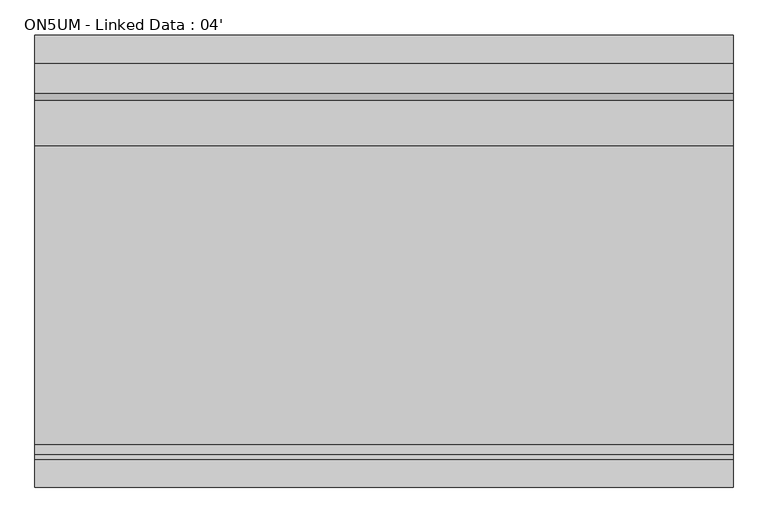
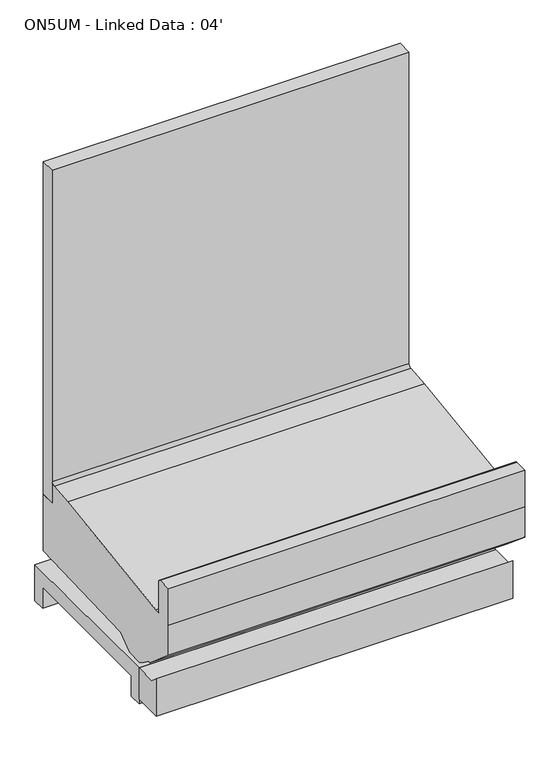
"""IFC4 building model written with IfcOpenShell, lengths in millimetres: proxy geometry, ON5UM - Linked Data : 04'."""

from ifc_helpers import new_model, si_unit, frame, origin, place, context, project, spatial, polyline, circle_curve, outline, extrude, source, transform, mapped, element, save
from ifc_brep_helpers import plane_surface, cylinder_surface, revolved_surface, advanced_brep


def on5um_linked_data_04_f2a2bc98(model_context):
    return source(origin(), model_context, "Body", "SolidModel", [
        advanced_brep(
        [(0.0, -1018.0355073, 16.9113003), (0.0, -1120.2374519, 16.9113003), (0.0, -1120.2374519, 153.0862041), (0.0, -1092.9329421, 130.175), (0.0, -1018.0355073, 130.175), (1219.2, -1018.0355073, 16.9113003), (1219.2, -1018.0355073, 130.175), (1219.2, -1092.9329421, 130.175), (1219.2, -1120.2374519, 153.0862041), (1219.2, -1120.2374519, 16.9113003), (1113.4105208, -1018.0355073, 16.9113003), (1113.4105208, -1018.0355073, 121.311784), (1013.8394792, -1018.0355073, 121.311784), (1013.8394792, -1018.0355073, 16.9113003), (651.2031896, -1018.0355073, 16.9113003), (651.2031896, -1018.0355073, 121.311784), (567.9968104, -1018.0355073, 121.311784), (567.9968104, -1018.0355073, 16.9113003)],
        [
            (0, 1),
            (1, 2),
            (2, 3),
            (3, 4),
            (4, 0),
            (5, 6),
            (6, 7),
            (7, 8),
            (8, 9),
            (9, 5),
            (4, 6),
            (5, 10),
            (10, 11),
            (11, 12),
            (12, 13),
            (13, 14),
            (14, 15),
            (15, 16),
            (16, 17),
            (17, 0),
            (3, 7),
            (17, 14, circle_curve(frame((609.6, -988.8839273, 16.9113003), z_axis=(0.0, 0.0, 1.0), x_axis=(1.0, 0.0, 0.0)), 50.8)),
            (13, 10, circle_curve(frame((1063.625, -1007.9339273, 16.9113003), z_axis=(0.0, 0.0, 1.0), x_axis=(1.0, 0.0, 0.0)), 50.8)),
            (9, 1),
            (15, 16, circle_curve(frame((609.6, -988.8839273, 121.311784), z_axis=(0.0, 0.0, -1.0), x_axis=(1.0, 0.0, 0.0)), 50.8)),
            (8, 2),
            (11, 12, circle_curve(frame((1063.625, -1007.9339273, 121.311784), z_axis=(0.0, 0.0, -1.0), x_axis=(1.0, 0.0, 0.0)), 50.8)),
        ],
        [
            plane_surface(frame((0.0, -1018.0355073, 130.175), z_axis=(-1.0, 0.0, 0.0), x_axis=(0.0, 0.0, -1.0))),
            plane_surface(frame((1219.2, -1018.0355073, 130.175), z_axis=(1.0, 0.0, 0.0), x_axis=(0.0, 0.0, 1.0))),
            plane_surface(frame((1219.2, -1018.0355073, 16.9113003), z_axis=(0.0, 1.0, 0.0), x_axis=(-1.0, 0.0, 0.0))),
            plane_surface(frame((1219.2, -1018.0355073, 130.175), z_axis=(0.0, 0.0, 1.0), x_axis=(-1.0, 0.0, 0.0))),
            plane_surface(frame((1219.2, -1120.2374519, 16.9113003), z_axis=(0.0, 0.0, -1.0), x_axis=(-1.0, 0.0, 0.0))),
            plane_surface(frame((660.4, -988.8839273, 121.311784), z_axis=(0.0, 0.0, -1.0), x_axis=(0.0, 1.0, 0.0))),
            revolved_surface(polyline([(660.4, -988.8839273, 121.311784), (660.4, -988.8839273, 16.9113003)]), (609.6, -988.8839273, 0.0), (0.0, 0.0, 1.0)),
            plane_surface(frame((1219.2, -1120.2374519, 153.0862041), z_axis=(0.0, -1.0, 0.0), x_axis=(-1.0, 0.0, 0.0))),
            plane_surface(frame((1219.2, -1092.9329421, 130.175), z_axis=(0.0, 0.6427876096870794, 0.766044443118525), x_axis=(-1.0, 0.0, 0.0))),
            plane_surface(frame((1114.425, -1007.9339273, 121.311784), z_axis=(0.0, 0.0, -1.0), x_axis=(0.0, 1.0, 0.0))),
            revolved_surface(polyline([(1114.425, -1007.9339273, 121.311784), (1114.425, -1007.9339273, 16.9113003)]), (1063.625, -1007.9339273, 0.0), (0.0, 0.0, 1.0)),
        ],
        [
            (0, [[1, 2, 3, 4, 5]]),
            (1, [[6, 7, 8, 9, 10]]),
            (2, [[-5, 11, -6, 12, 13, 14, 15, 16, 17, 18, 19, 20]]),
            (3, [[-4, 21, -7, -11]]),
            (4, [[-1, -20, 22, -16, 23, -12, -10, 24]]),
            (5, [[25, -18]]),
            (6, [[-25, -17, -22, -19]]),
            (7, [[-2, -24, -9, 26]]),
            (8, [[-3, -26, -8, -21]]),
            (9, [[27, -14]]),
            (10, [[-27, -13, -23, -15]]),
        ],
    ),
        advanced_brep(
        [(0.0, -401.5089273, 130.175), (0.0, -401.5089273, 0.0), (0.0, -446.7209273, 0.0), (0.0, -446.7209273, 74.8810382), (0.0, -972.7046625, 74.8810382), (0.0, -972.7046625, 0.0), (0.0, -1018.0355073, 0.0), (0.0, -1018.0355073, 130.175), (1219.2, -401.5089273, 130.175), (1219.2, -1018.0355073, 130.175), (1219.2, -1018.0355073, 0.0), (1219.2, -972.7046625, 0.0), (1219.2, -972.7046625, 74.8810382), (1219.2, -446.7209273, 74.8810382), (1219.2, -446.7209273, 0.0), (1219.2, -401.5089273, 0.0), (567.9968104, -1018.0355073, 0.0), (567.9968104, -1018.0355073, 121.311784), (651.2031896, -1018.0355073, 121.311784), (651.2031896, -1018.0355073, 0.0), (1013.8394792, -1018.0355073, 0.0), (1013.8394792, -1018.0355073, 121.311784), (1113.4105208, -1018.0355073, 121.311784), (1113.4105208, -1018.0355073, 0.0), (561.4453388, -972.7046625, 0.0), (558.8, -988.8839273, 0.0), (1114.425, -1007.9339273, 0.0), (1100.2247118, -972.7046625, 0.0), (660.4, -988.8839273, 0.0), (657.7546612, -972.7046625, 0.0), (1027.0252882, -972.7046625, 0.0), (1012.825, -1007.9339273, 0.0), (561.4453388, -972.7046625, 74.8810382), (1100.2247118, -972.7046625, 74.8810382), (657.7546612, -972.7046625, 74.8810382), (1027.0252882, -972.7046625, 74.8810382), (558.8, -988.8839273, 121.311784), (660.4, -988.8839273, 121.311784), (1012.825, -1007.9339273, 121.311784), (1114.425, -1007.9339273, 121.311784)],
        [
            (0, 1),
            (1, 2),
            (2, 3),
            (3, 4),
            (4, 5),
            (5, 6),
            (6, 7),
            (7, 0),
            (8, 9),
            (9, 10),
            (10, 11),
            (11, 12),
            (12, 13),
            (13, 14),
            (14, 15),
            (15, 8),
            (7, 9),
            (8, 0),
            (6, 16),
            (16, 17),
            (17, 18),
            (18, 19),
            (19, 20),
            (20, 21),
            (21, 22),
            (22, 23),
            (23, 10),
            (5, 24),
            (24, 25, circle_curve(frame((609.6, -988.8839273, 0.0), z_axis=(0.0, 0.0, 1.0), x_axis=(1.0, 0.0, 0.0)), 50.8)),
            (25, 16, circle_curve(frame((609.6, -988.8839273, 0.0), z_axis=(0.0, 0.0, 1.0), x_axis=(1.0, 0.0, 0.0)), 50.8)),
            (23, 26, circle_curve(frame((1063.625, -1007.9339273, 0.0), z_axis=(0.0, 0.0, 1.0), x_axis=(1.0, 0.0, 0.0)), 50.8)),
            (26, 27, circle_curve(frame((1063.625, -1007.9339273, 0.0), z_axis=(0.0, 0.0, 1.0), x_axis=(1.0, 0.0, 0.0)), 50.8)),
            (27, 11),
            (19, 28, circle_curve(frame((609.6, -988.8839273, 0.0), z_axis=(0.0, 0.0, 1.0), x_axis=(1.0, 0.0, 0.0)), 50.8)),
            (28, 29, circle_curve(frame((609.6, -988.8839273, 0.0), z_axis=(0.0, 0.0, 1.0), x_axis=(1.0, 0.0, 0.0)), 50.8)),
            (29, 30),
            (30, 31, circle_curve(frame((1063.625, -1007.9339273, 0.0), z_axis=(0.0, 0.0, 1.0), x_axis=(1.0, 0.0, 0.0)), 50.8)),
            (31, 20, circle_curve(frame((1063.625, -1007.9339273, 0.0), z_axis=(0.0, 0.0, 1.0), x_axis=(1.0, 0.0, 0.0)), 50.8)),
            (4, 32),
            (32, 24),
            (27, 33),
            (33, 12),
            (29, 34),
            (34, 35),
            (35, 30),
            (3, 13),
            (33, 35, circle_curve(frame((1063.625, -1007.9339273, 74.8810382), z_axis=(0.0, 0.0, 1.0), x_axis=(1.0, 0.0, 0.0)), 50.8)),
            (34, 32, circle_curve(frame((609.6, -988.8839273, 74.8810382), z_axis=(0.0, 0.0, 1.0), x_axis=(1.0, 0.0, 0.0)), 50.8)),
            (2, 14),
            (1, 15),
            (36, 37, circle_curve(frame((609.6, -988.8839273, 121.311784), z_axis=(0.0, 0.0, -1.0), x_axis=(1.0, 0.0, 0.0)), 50.8)),
            (37, 18, circle_curve(frame((609.6, -988.8839273, 121.311784), z_axis=(0.0, 0.0, -1.0), x_axis=(1.0, 0.0, 0.0)), 50.8)),
            (17, 36, circle_curve(frame((609.6, -988.8839273, 121.311784), z_axis=(0.0, 0.0, -1.0), x_axis=(1.0, 0.0, 0.0)), 50.8)),
            (37, 28),
            (25, 36),
            (38, 39, circle_curve(frame((1063.625, -1007.9339273, 121.311784), z_axis=(0.0, 0.0, -1.0), x_axis=(1.0, 0.0, 0.0)), 50.8)),
            (39, 22, circle_curve(frame((1063.625, -1007.9339273, 121.311784), z_axis=(0.0, 0.0, -1.0), x_axis=(1.0, 0.0, 0.0)), 50.8)),
            (21, 38, circle_curve(frame((1063.625, -1007.9339273, 121.311784), z_axis=(0.0, 0.0, -1.0), x_axis=(1.0, 0.0, 0.0)), 50.8)),
            (39, 26),
            (31, 38),
        ],
        [
            plane_surface(frame((0.0, -1205.8783654, 130.175), z_axis=(-1.0, 0.0, 0.0), x_axis=(0.0, 1.0, 0.0))),
            plane_surface(frame((1219.2, -1205.8783654, 130.175), z_axis=(1.0, 0.0, 0.0), x_axis=(0.0, -1.0, 0.0))),
            plane_surface(frame((1219.2, -401.5089273, 130.175), z_axis=(0.0, 0.0, 1.0), x_axis=(-1.0, 0.0, 0.0))),
            plane_surface(frame((1219.2, -1018.0355073, 130.175), z_axis=(0.0, -1.0, 0.0), x_axis=(-1.0, 0.0, 0.0))),
            plane_surface(frame((1219.2, -1018.0355073, 0.0), z_axis=(0.0, 0.0, -1.0), x_axis=(-1.0, 0.0, 0.0))),
            plane_surface(frame((1219.2, -972.7046625, 0.0), z_axis=(0.0, 1.0, 0.0), x_axis=(-1.0, 0.0, 0.0))),
            plane_surface(frame((1219.2, -972.7046625, 74.8810382), z_axis=(0.0, 0.0, -1.0), x_axis=(-1.0, 0.0, 0.0))),
            plane_surface(frame((1219.2, -446.7209273, 74.8810382), z_axis=(0.0, -1.0, 0.0), x_axis=(-1.0, 0.0, 0.0))),
            plane_surface(frame((1219.2, -446.7209273, 0.0), z_axis=(0.0, 0.0, -1.0), x_axis=(-1.0, 0.0, 0.0))),
            plane_surface(frame((1219.2, -401.5089273, 0.0), z_axis=(0.0, 1.0, 0.0), x_axis=(-1.0, 0.0, 0.0))),
            plane_surface(frame((660.4, -988.8839273, 121.311784), z_axis=(0.0, 0.0, -1.0), x_axis=(0.0, 1.0, 0.0))),
            revolved_surface(polyline([(660.4, -988.8839273, 121.311784), (660.4, -988.8839273, 0.0)]), (609.6, -988.8839273, 0.0), (0.0, 0.0, 1.0)),
            plane_surface(frame((1114.425, -1007.9339273, 121.311784), z_axis=(0.0, 0.0, -1.0), x_axis=(0.0, 1.0, 0.0))),
            revolved_surface(polyline([(1114.425, -1007.9339273, 121.311784), (1114.425, -1007.9339273, 0.0)]), (1063.625, -1007.9339273, 0.0), (0.0, 0.0, 1.0)),
        ],
        [
            (0, [[1, 2, 3, 4, 5, 6, 7, 8]]),
            (1, [[9, 10, 11, 12, 13, 14, 15, 16]]),
            (2, [[-8, 17, -9, 18]]),
            (3, [[-7, 19, 20, 21, 22, 23, 24, 25, 26, 27, -10, -17]]),
            (4, [[-6, 28, 29, 30, -19]]),
            (4, [[-11, -27, 31, 32, 33]]),
            (4, [[34, 35, 36, 37, 38, -23]]),
            (5, [[-5, 39, 40, -28]]),
            (5, [[-12, -33, 41, 42]]),
            (5, [[43, 44, 45, -36]]),
            (6, [[-4, 46, -13, -42, 47, -44, 48, -39]]),
            (7, [[-3, 49, -14, -46]]),
            (8, [[-2, 50, -15, -49]]),
            (9, [[-1, -18, -16, -50]]),
            (10, [[51, 52, -21, 53]]),
            (11, [[54, -34, -22, -52]]),
            (11, [[55, -53, -20, -30]]),
            (11, [[-51, -55, -29, -40, -48, -43, -35, -54]]),
            (12, [[56, 57, -25, 58]]),
            (13, [[59, -31, -26, -57]]),
            (13, [[60, -58, -24, -38]]),
            (13, [[-56, -60, -37, -45, -47, -41, -32, -59]]),
        ],
    ),
        extrude(outline(polyline([(688.975, -552.9627532), (688.975, -932.4775263), (180.975, -932.4775263), (180.975, -552.9627532), (688.975, -552.9627532)])), frame((0.0, 0.0, 68.5310382), z_axis=(0.0, 0.0, 1.0), x_axis=(1.0, 0.0, 0.0)), (0.0, 0.0, 1.0), 6.35),
        extrude(outline(polyline([(1219.2, -452.3089273), (1219.2, -503.4770145), (0.0, -503.4770145), (0.0, -452.3089273), (1219.2, -452.3089273)])), frame((0.0, 0.0, 415.8429537), z_axis=(0.0, 0.0, 1.0), x_axis=(1.0, 0.0, 0.0)), (0.0, 0.0, 1.0), 1202.0524215),
        advanced_brep(
        [(0.0, -503.4770145, 415.8429537), (0.0, -452.3089273, 415.8429537), (0.0, -452.3089273, 210.4307819), (0.0, -911.2586215, 194.4039054), (0.0, -947.966692, 163.7297871), (0.0, -949.2046713, 163.6865559), (0.0, -961.9148015, 153.7615258), (0.0, -1022.2030531, 151.6562137), (0.0, -1035.5745571, 160.670453), (0.0, -1036.8125365, 160.6272219), (0.0, -1075.5167374, 188.6268069), (0.0, -1081.6882807, 188.4112919), (0.0, -1191.6695874, 280.6965658), (0.0, -1191.6695874, 390.4771975), (0.0, -1191.6695874, 522.6122796), (0.0, -1143.2268145, 522.6122796), (0.0, -1135.3020145, 514.6874796), (0.0, -1135.3020145, 401.5554537), (0.0, -1117.2993145, 401.5554537), (0.0, -594.8547877, 474.2138198), (0.0, -515.2911073, 481.9373825), (0.0, -503.4770145, 494.6064459), (1219.2, -503.4770145, 415.8429537), (1219.2, -503.4770145, 494.6064459), (1219.2, -515.2911073, 481.9373825), (1219.2, -594.8547877, 474.2138198), (1219.2, -1117.2993145, 401.5554537), (1219.2, -1135.3020145, 401.5554537), (1219.2, -1135.3020145, 514.6874796), (1219.2, -1143.2268145, 522.6122796), (1219.2, -1191.6695874, 522.6122796), (1219.2, -1191.6695874, 390.4771975), (1219.2, -1191.6695874, 280.6965658), (1219.2, -1081.6882807, 188.4112919), (1219.2, -1075.5167374, 188.6268069), (1219.2, -1036.8125365, 160.6272219), (1219.2, -1035.5745571, 160.670453), (1219.2, -1022.2030531, 151.6562137), (1219.2, -961.9148015, 153.7615258), (1219.2, -949.2046713, 163.6865559), (1219.2, -947.966692, 163.7297871), (1219.2, -911.2586215, 194.4039054), (1219.2, -452.3089273, 210.4307819), (1219.2, -452.3089273, 415.8429537)],
        [
            (0, 1),
            (1, 2),
            (2, 3),
            (3, 4),
            (4, 5),
            (5, 6),
            (6, 7),
            (7, 8),
            (8, 9),
            (9, 10),
            (10, 11),
            (11, 12),
            (12, 13),
            (13, 14),
            (14, 15),
            (15, 16, circle_curve(frame((0.0, -1143.2268145, 514.6874796), z_axis=(-1.0, 0.0, 0.0), x_axis=(0.0, 1.0, 0.0)), 7.9248)),
            (16, 17),
            (17, 18),
            (18, 19),
            (19, 20),
            (20, 21, circle_curve(frame((0.0, -516.1770145, 494.6064459), z_axis=(1.0, 0.0, 0.0), x_axis=(0.0, 1.0, 0.0)), 12.7)),
            (21, 0),
            (22, 23),
            (23, 24, circle_curve(frame((1219.2, -516.1770145, 494.6064459), z_axis=(-1.0, 0.0, 0.0), x_axis=(0.0, 1.0, 0.0)), 12.7)),
            (24, 25),
            (25, 26),
            (26, 27),
            (27, 28),
            (28, 29, circle_curve(frame((1219.2, -1143.2268145, 514.6874796), z_axis=(1.0, 0.0, 0.0), x_axis=(0.0, 1.0, 0.0)), 7.9248)),
            (29, 30),
            (30, 31),
            (31, 32),
            (32, 33),
            (33, 34),
            (34, 35),
            (35, 36),
            (36, 37),
            (37, 38),
            (38, 39),
            (39, 40),
            (40, 41),
            (41, 42),
            (42, 43),
            (43, 22),
            (42, 2),
            (1, 43),
            (0, 22),
            (21, 23),
            (20, 24),
            (19, 25),
            (18, 26),
            (17, 27),
            (16, 28),
            (15, 29),
            (14, 30),
            (13, 31),
            (12, 32),
            (11, 33),
            (10, 34),
            (9, 35),
            (8, 36),
            (7, 37),
            (6, 38),
            (5, 39),
            (4, 40),
            (3, 41),
        ],
        [
            plane_surface(frame((0.0, -503.4770145, 1116.8081953), z_axis=(-1.0, 0.0, 0.0), x_axis=(0.0, 0.0, -1.0))),
            plane_surface(frame((1219.2, -503.4770145, 1116.8081953), z_axis=(1.0, 0.0, 0.0), x_axis=(0.0, 0.0, 1.0))),
            plane_surface(frame((1219.2, -452.3089273, 210.4307819), z_axis=(0.0, 1.0, 0.0), x_axis=(-1.0, 0.0, 0.0))),
            plane_surface(frame((1219.2, -452.3089273, 415.8429537), z_axis=(0.0, 0.0, 1.0), x_axis=(-1.0, 0.0, 0.0))),
            plane_surface(frame((1219.2, -503.4770145, 415.8429537), z_axis=(0.0, 1.0, 0.0), x_axis=(-1.0, 0.0, 0.0))),
            revolved_surface(polyline([(0.0, -503.47701450000005, 494.6064459), (1219.2, -503.47701450000005, 494.6064459)]), (0.0, -516.1770145, 494.6064459), (-1.0, 0.0, 0.0)),
            plane_surface(frame((1219.2, -515.2911073, 481.9373825), z_axis=(0.0, -0.09661980044750265, 0.9953213622551688), x_axis=(-1.0, 0.0, 0.0))),
            plane_surface(frame((1219.2, -594.8547877, 474.2138198), z_axis=(0.0, -0.1377480894156595, 0.9904672957055853), x_axis=(-1.0, 0.0, 0.0))),
            plane_surface(frame((1219.2, -1117.2993145, 401.5554537), z_axis=(0.0, 0.0, 1.0), x_axis=(-1.0, 0.0, 0.0))),
            plane_surface(frame((1219.2, -1135.3020145, 401.5554537), z_axis=(0.0, 1.0, 0.0), x_axis=(-1.0, 0.0, 0.0))),
            cylinder_surface(frame((0.0, -1143.2268145, 514.6874796), z_axis=(1.0, 0.0, 0.0), x_axis=(0.0, 1.0, 0.0)), 7.9248),
            plane_surface(frame((1219.2, -1143.2268145, 522.6122796), z_axis=(0.0, 0.0, 1.0), x_axis=(-1.0, 0.0, 0.0))),
            plane_surface(frame((1219.2, -1191.6695874, 522.6122796), z_axis=(0.0, -1.0, 0.0), x_axis=(-1.0, 0.0, 0.0))),
            plane_surface(frame((1219.2, -1191.6695874, 390.4771975), z_axis=(0.0, -1.0, 0.0), x_axis=(-1.0, 0.0, 0.0))),
            plane_surface(frame((1219.2, -1191.6695874, 280.6965658), z_axis=(0.0, -0.6427876096870885, -0.7660444431185174), x_axis=(-1.0, 0.0, 0.0))),
            plane_surface(frame((1219.2, -1081.6882807, 188.4112919), z_axis=(0.0, 0.03489949670352723, -0.9993908270190599), x_axis=(-1.0, 0.0, 0.0))),
            plane_surface(frame((1219.2, -1075.5167374, 188.6268069), z_axis=(0.0, -0.5861307997256017, -0.810216443682197), x_axis=(-1.0, 0.0, 0.0))),
            plane_surface(frame((1219.2, -1036.8125365, 160.6272219), z_axis=(0.0, 0.03489949670146529, -0.999390827019132), x_axis=(-1.0, 0.0, 0.0))),
            plane_surface(frame((1219.2, -1035.5745571, 160.670453), z_axis=(0.0, -0.5589817440968015, -0.8291799622316606), x_axis=(-1.0, 0.0, 0.0))),
            plane_surface(frame((1219.2, -1022.2030531, 151.6562137), z_axis=(0.0, 0.03489949670245123, -0.9993908270190974), x_axis=(-1.0, 0.0, 0.0))),
            plane_surface(frame((1219.2, -961.9148015, 153.7615258), z_axis=(0.0, 0.6154607629252682, -0.7881675261639793), x_axis=(-1.0, 0.0, 0.0))),
            plane_surface(frame((1219.2, -949.2046713, 163.6865559), z_axis=(0.0, 0.03489949670032392, -0.9993908270191718), x_axis=(-1.0, 0.0, 0.0))),
            plane_surface(frame((1219.2, -947.966692, 163.7297871), z_axis=(0.0, 0.6412208566386186, -0.7673563794037528), x_axis=(-1.0, 0.0, 0.0))),
            plane_surface(frame((1219.2, -911.2586215, 194.4039054), z_axis=(0.0, 0.03489949670246395, -0.9993908270190971), x_axis=(-1.0, 0.0, 0.0))),
        ],
        [
            (0, [[1, 2, 3, 4, 5, 6, 7, 8, 9, 10, 11, 12, 13, 14, 15, 16, 17, 18, 19, 20, 21, 22]]),
            (1, [[23, 24, 25, 26, 27, 28, 29, 30, 31, 32, 33, 34, 35, 36, 37, 38, 39, 40, 41, 42, 43, 44]]),
            (2, [[-43, 45, -2, 46]]),
            (3, [[-44, -46, -1, 47]]),
            (4, [[-23, -47, -22, 48]]),
            (5, [[-24, -48, -21, 49]]),
            (6, [[-25, -49, -20, 50]]),
            (7, [[-26, -50, -19, 51]]),
            (8, [[-27, -51, -18, 52]]),
            (9, [[-28, -52, -17, 53]]),
            (10, [[-29, -53, -16, 54]]),
            (11, [[-30, -54, -15, 55]]),
            (12, [[-31, -55, -14, 56]]),
            (13, [[-32, -56, -13, 57]]),
            (14, [[-33, -57, -12, 58]]),
            (15, [[-34, -58, -11, 59]]),
            (16, [[-35, -59, -10, 60]]),
            (17, [[-36, -60, -9, 61]]),
            (18, [[-37, -61, -8, 62]]),
            (19, [[-38, -62, -7, 63]]),
            (20, [[-39, -63, -6, 64]]),
            (21, [[-40, -64, -5, 65]]),
            (22, [[-41, -65, -4, 66]]),
            (23, [[-42, -66, -3, -45]]),
        ],
    ),
    ])


if __name__ == "__main__":
    model = new_model("IFC4")
    model_context = context("Model", 3, world=origin())
    ifc_project = project(units=[si_unit("LENGTHUNIT", "METRE", prefix="MILLI")], contexts=[model_context])
    site = spatial("IfcSite", under=ifc_project)
    building = spatial("IfcBuilding", under=site)
    placement = place(None, origin())
    on5um_linked_data_04_shape = on5um_linked_data_04_f2a2bc98(model_context)
    element("IfcBuildingElementProxy", 1, Name="ON5UM - Linked Data : 04'", ObjectType="ON5UM - Linked Data : 04'", at=placement, inside=building, context=model_context, shape_type="MappedRepresentation", body=[
        mapped(on5um_linked_data_04_shape, transform((0.0, 0.0, 0.0), x_axis=(1.0, 0.0, 0.0), y_axis=(0.0, 1.0, 0.0), z_axis=(0.0, 0.0, 1.0))),
    ])
    save(model, "model.ifc")
